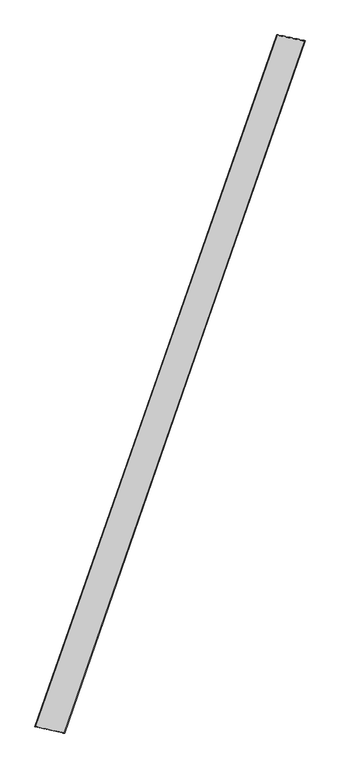
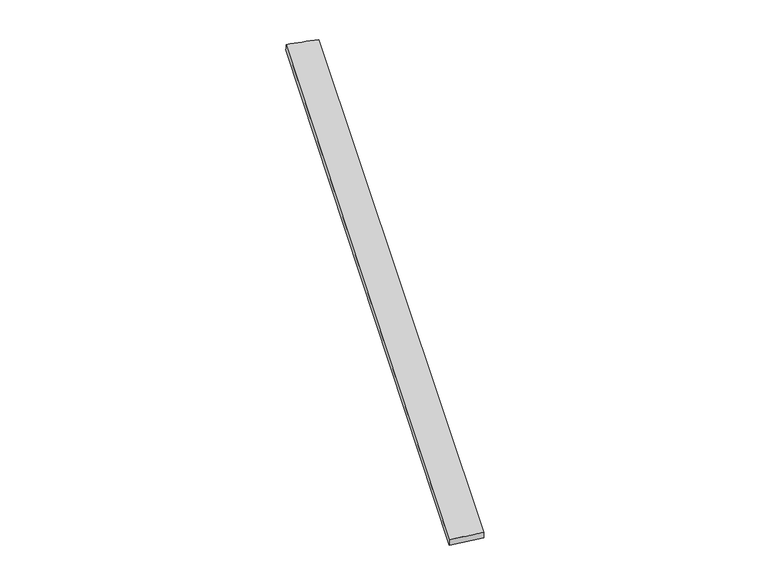
"""IFC4 building model written with IfcOpenShell, lengths in millimetres: proxy geometry."""

from ifc_helpers import new_model, si_unit, origin, place, context, project, spatial, source, transform, mapped, element, save
from ifc_brep_helpers import spline_surface, advanced_brep


def generic_models_6550cf42(model_context):
    return source(origin(), model_context, "Body", "AdvancedBrep", [
        advanced_brep(
        [(-671.9181725, -1702.1927037, -3.2017989), (-672.7918745, -1701.9392592, 26.7844048), (664.1597261, 2115.9961083, 33.4306001), (663.5903939, 2116.2473813, 3.4370554), (-509.4978595, -1737.4804182, 33.1669247), (818.3138202, 2083.3605679, 26.5030858), (-508.16687, -1737.9937697, 3.2008616), (816.4946486, 2083.9390921, -3.436118)],
        [
            (0, 1),
            (1, 2),
            (2, 3),
            (3, 0),
            (1, 4),
            (4, 5),
            (5, 2),
            (4, 6),
            (6, 7),
            (7, 5),
            (6, 0),
            (3, 7),
        ],
        [
            spline_surface(1, 1, [[(-671.9181725, -1702.1927037, -3.2017989), (663.5903939, 2116.2473813, 3.4370554)], [(-672.7918745, -1701.9392592, 26.7844048), (664.1597261, 2115.9961083, 33.4306001)]], [2, 2], [2, 2], [0.0, 1.0], [0.0, 1.0]),
            spline_surface(1, 1, [[(-672.7918745, -1701.9392592, 26.7844048), (664.1597261, 2115.9961083, 33.4306001)], [(-509.4978595, -1737.4804182, 33.1669247), (818.3138202, 2083.3605679, 26.5030858)]], [2, 2], [2, 2], [0.0, 1.0], [0.0, 1.0]),
            spline_surface(1, 1, [[(-509.4978595, -1737.4804182, 33.1669247), (818.3138202, 2083.3605679, 26.5030858)], [(-508.16687, -1737.9937697, 3.2008616), (816.4946486, 2083.9390921, -3.436118)]], [2, 2], [2, 2], [0.0, 1.0], [0.0, 1.0]),
            spline_surface(1, 1, [[(-508.16687, -1737.9937697, 3.2008616), (816.4946486, 2083.9390921, -3.436118)], [(-671.9181725, -1702.1927037, -3.2017989), (663.5903939, 2116.2473813, 3.4370554)]], [2, 2], [2, 2], [0.0, 1.0], [0.0, 1.0]),
            spline_surface(1, 1, [[(664.1597261, 2115.9961083, 33.4306001), (663.5903939, 2116.2473813, 3.4370554)], [(818.3138202, 2083.3605679, 26.5030858), (816.4946486, 2083.9390921, -3.436118)]], [2, 2], [2, 2], [0.0, 1.0], [0.0, 1.0]),
            spline_surface(1, 1, [[(-508.16687, -1737.9937697, 3.2008616), (-671.9181725, -1702.1927037, -3.2017989)], [(-509.4978595, -1737.4804182, 33.1669247), (-672.7918745, -1701.9392592, 26.7844048)]], [2, 2], [2, 2], [0.0, 1.0], [0.0, 1.0]),
        ],
        [
            (0, [[1, 2, 3, 4]]),
            (1, [[5, 6, 7, -2]]),
            (2, [[8, 9, 10, -6]]),
            (3, [[11, -4, 12, -9]]),
            (4, [[-3, -7, -10, -12]]),
            (5, [[-11, -8, -5, -1]]),
        ],
    ),
    ])


if __name__ == "__main__":
    model = new_model("IFC4")
    model_context = context("Model", 3, world=origin())
    ifc_project = project(units=[si_unit("LENGTHUNIT", "METRE", prefix="MILLI")], contexts=[model_context])
    site = spatial("IfcSite", under=ifc_project)
    building = spatial("IfcBuilding", under=site)
    placement = place(None, origin())
    generic_models_shape = generic_models_6550cf42(model_context)
    element("IfcBuildingElementProxy", 1, Name="Generic Models", at=placement, inside=building, context=model_context, shape_type="MappedRepresentation", body=[
        mapped(generic_models_shape, transform((0.0, 0.0, 0.0), x_axis=(1.0, 0.0, 0.0), y_axis=(0.0, 1.0, 0.0), z_axis=(0.0, 0.0, 1.0))),
    ])
    save(model, "model.ifc")
